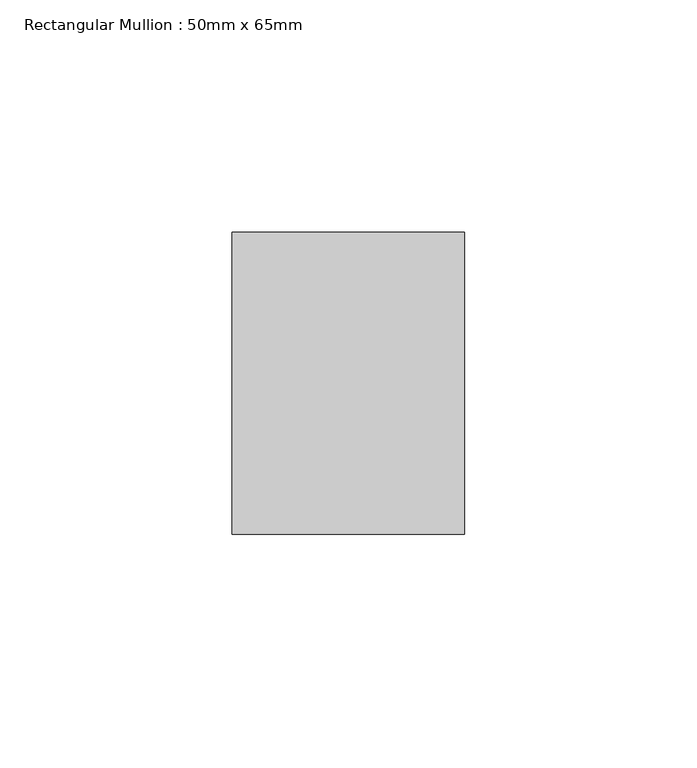
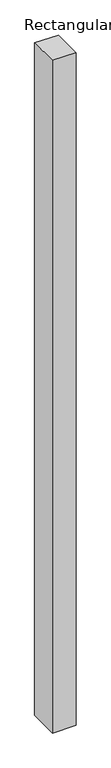
"""IFC4 building model written with IfcOpenShell, lengths in millimetres: member geometry, Rectangular Mullion : 50mm x 65mm."""

from ifc_helpers import new_model, si_unit, origin, place, context, project, spatial, faceted_brep, source, transform, mapped, element, save


def rectangular_mullion_50mm_x_65mm_a5c85cbb(model_context):
    return source(origin(), model_context, "Body", "Brep", [
        faceted_brep([(-25.0, 32.5, -0.1073305), (25.0, 32.5, -0.1073298), (25.0, 32.5, -1499.9556004), (-25.0, 32.5, -1499.9556), (-25.0, -32.5, 0.1073298), (-25.0, -32.5, -1500.0442717), (25.0, -32.5, 0.1073305), (25.0, -32.5, -1500.0442721)], [[[0, 1, 2, 3]], [[4, 0, 3, 5]], [[6, 4, 5, 7]], [[1, 6, 7, 2]], [[1, 0, 4, 6]], [[2, 7, 5, 3]]]),
    ])


if __name__ == "__main__":
    model = new_model("IFC4")
    model_context = context("Model", 3, world=origin())
    ifc_project = project(units=[si_unit("LENGTHUNIT", "METRE", prefix="MILLI")], contexts=[model_context])
    site = spatial("IfcSite", under=ifc_project)
    building = spatial("IfcBuilding", under=site)
    placement = place(None, origin())
    rectangular_mullion_50mm_x_65mm_shape = rectangular_mullion_50mm_x_65mm_a5c85cbb(model_context)
    element("IfcMember", 1, ObjectType="Rectangular Mullion : 50mm x 65mm", at=placement, inside=building, context=model_context, shape_type="MappedRepresentation", body=[
        mapped(rectangular_mullion_50mm_x_65mm_shape, transform((0.0, 0.0, 0.0), x_axis=(1.0, 0.0, 0.0), y_axis=(0.0, 1.0, 0.0), z_axis=(0.0, 0.0, 1.0))),
    ])
    save(model, "model.ifc")
